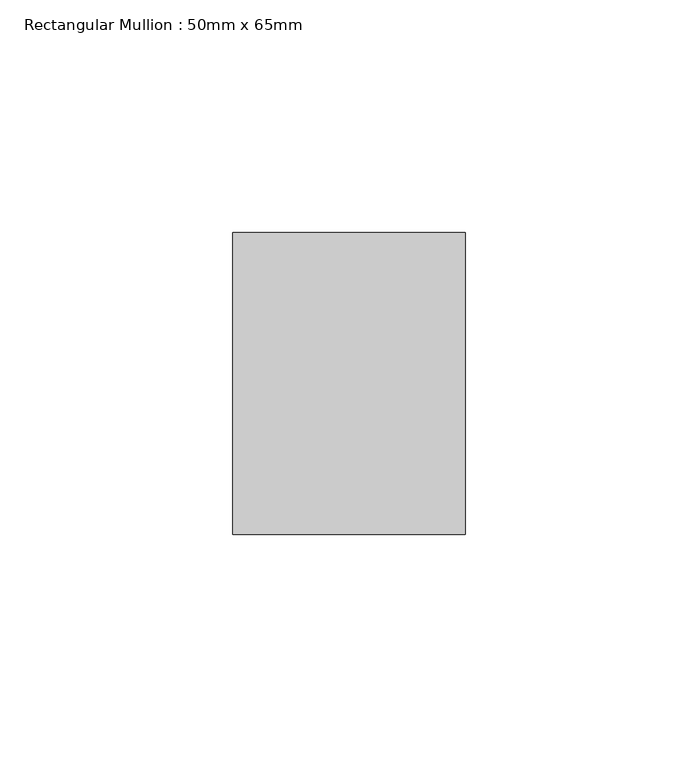
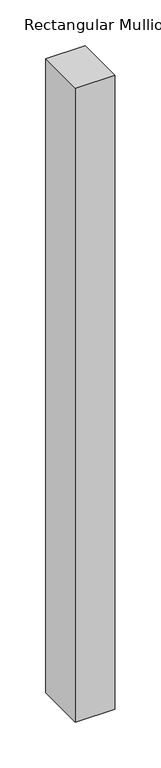
"""IFC4 building model written with IfcOpenShell, lengths in millimetres: member geometry, Rectangular Mullion : 50mm x 65mm."""

from ifc_helpers import new_model, si_unit, frame, origin, place, context, project, spatial, polyline, outline, extrude, source, transform, mapped, element, save


def rectangular_mullion_50mm_x_65mm_739bede1(model_context):
    return source(origin(), model_context, "Body", "SweptSolid", [
        extrude(outline(polyline([(25.0, 32.5), (25.0, -32.5), (-25.0, -32.5), (-25.0, 32.5), (25.0, 32.5)])), frame((0.0, 0.0, -846.7249576), z_axis=(0.0, 0.0, 1.0), x_axis=(1.0, 0.0, 0.0)), (0.0, 0.0, 1.0), 846.7249576),
    ])


if __name__ == "__main__":
    model = new_model("IFC4")
    model_context = context("Model", 3, world=origin())
    ifc_project = project(units=[si_unit("LENGTHUNIT", "METRE", prefix="MILLI")], contexts=[model_context])
    site = spatial("IfcSite", under=ifc_project)
    building = spatial("IfcBuilding", under=site)
    placement = place(None, origin())
    rectangular_mullion_50mm_x_65mm_shape = rectangular_mullion_50mm_x_65mm_739bede1(model_context)
    element("IfcMember", 1, ObjectType="Rectangular Mullion : 50mm x 65mm", at=placement, inside=building, context=model_context, shape_type="MappedRepresentation", body=[
        mapped(rectangular_mullion_50mm_x_65mm_shape, transform((0.0, 0.0, 0.0), x_axis=(1.0, 0.0, 0.0), y_axis=(0.0, 1.0, 0.0), z_axis=(0.0, 0.0, 1.0))),
    ])
    save(model, "model.ifc")
